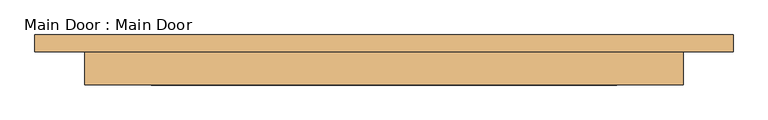
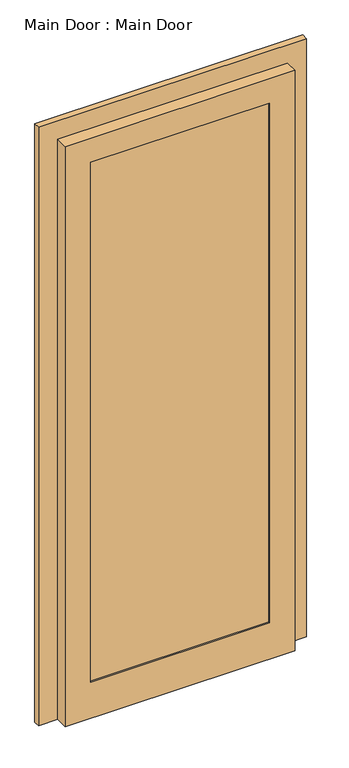
"""IFC4 building model written with IfcOpenShell, lengths in millimetres: door geometry, Main Door : Main Door."""

from ifc_helpers import new_model, si_unit, frame, origin, place, context, project, spatial, polyline, outline, extrude, faceted_brep, source, transform, mapped, element, save


def main_door_main_door_3dcfaeb0(model_context):
    return source(origin(), model_context, "Body", "SolidModel", [
        faceted_brep([(457.2, 19.05, 2438.4), (-457.2, 19.05, 2438.4), (-457.2, 19.05, 0.0), (457.2, 19.05, 0.0), (355.6, 19.05, 2336.8), (355.6, 19.05, 152.4), (-355.6, 19.05, 152.4), (-355.6, 19.05, 2336.8), (457.2, 69.85, 2438.4), (457.2, 69.85, 0.0), (-457.2, 69.85, 0.0), (-457.2, 69.85, 2438.4), (355.6, 28.575, 2336.8), (-355.6, 28.575, 2336.8), (-355.6, 28.575, 152.4), (355.6, 28.575, 152.4)], [[[0, 1, 2, 3], [4, 5, 6, 7]], [[8, 9, 10, 11]], [[1, 0, 8, 11]], [[2, 1, 11, 10]], [[3, 2, 10, 9]], [[0, 3, 9, 8]], [[12, 13, 14, 15]], [[12, 15, 5, 4]], [[14, 13, 7, 6]], [[13, 12, 4, 7]], [[15, 14, 6, 5]]]),
        extrude(outline(polyline([(2514.6, -533.4), (0.0, -533.4), (0.0, -457.2), (2438.4, -457.2), (2438.4, 457.2), (0.0, 457.2), (0.0, 533.4), (2514.6, 533.4), (2514.6, -533.4)])), frame((0.0, 69.85, 0.0), z_axis=(0.0, 1.0, 0.0), x_axis=(0.0, 0.0, 1.0)), (0.0, 0.0, 1.0), 25.4),
        extrude(outline(polyline([(-355.6, 28.575), (355.6, 28.575), (355.6, 24.2855596), (-355.6, 24.2855596), (-355.6, 28.575)])), frame((0.0, 0.0, 152.4), z_axis=(0.0, 0.0, 1.0), x_axis=(1.0, 0.0, 0.0)), (0.0, 0.0, 1.0), 2184.4),
    ])


if __name__ == "__main__":
    model = new_model("IFC4")
    model_context = context("Model", 3, world=origin())
    ifc_project = project(units=[si_unit("LENGTHUNIT", "METRE", prefix="MILLI")], contexts=[model_context])
    site = spatial("IfcSite", under=ifc_project)
    building = spatial("IfcBuilding", under=site)
    placement = place(None, origin())
    main_door_main_door_shape = main_door_main_door_3dcfaeb0(model_context)
    element("IfcDoor", 1, ObjectType="Main Door : Main Door", at=placement, inside=building, context=model_context, shape_type="MappedRepresentation", body=[
        mapped(main_door_main_door_shape, transform((0.0, 0.0, 0.0), x_axis=(1.0, 0.0, 0.0), y_axis=(0.0, 1.0, 0.0), z_axis=(0.0, 0.0, 1.0))),
    ])
    save(model, "model.ifc")
